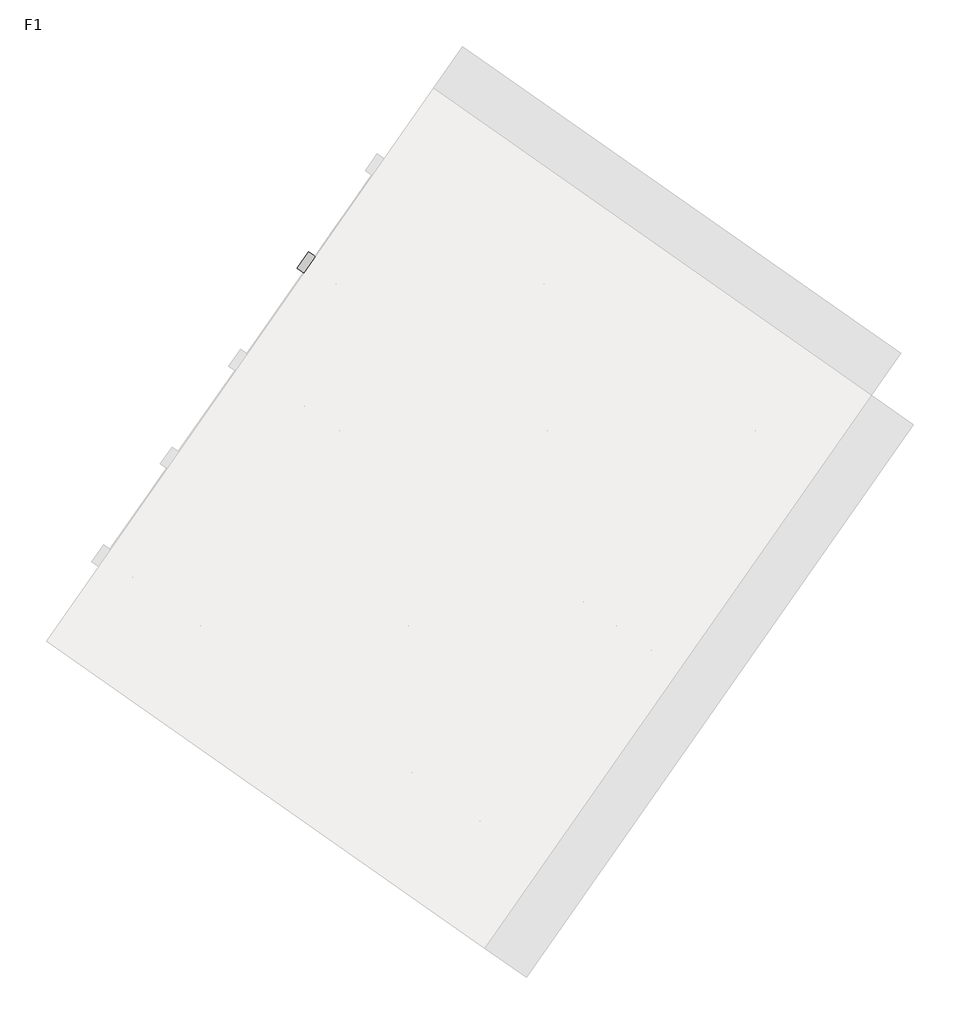
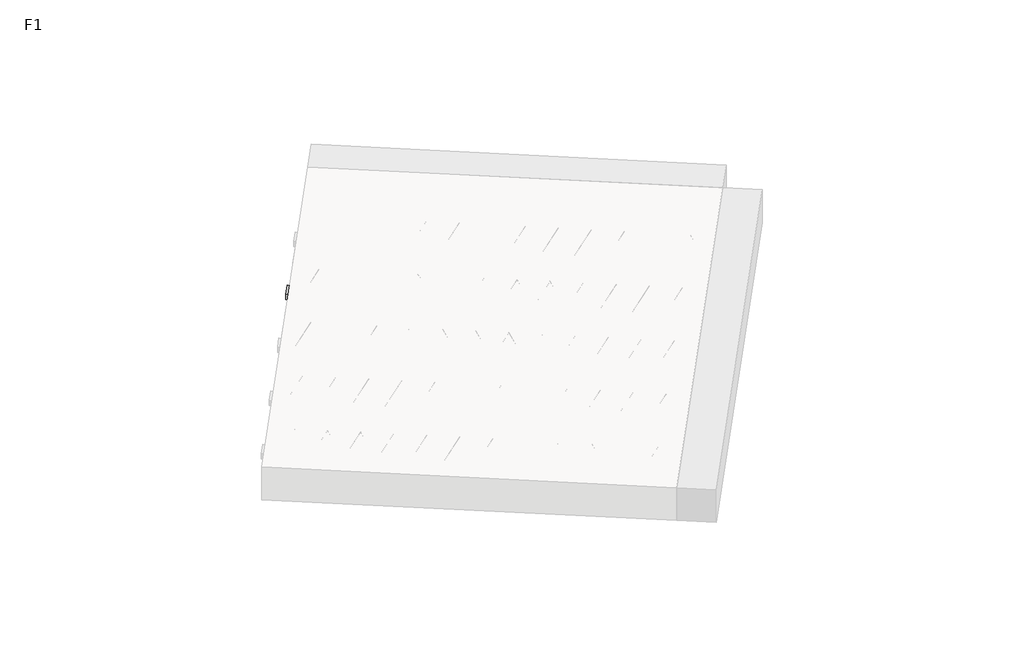
# One storey, part 24 of 30: 2 beams.
"""IFC4 building model written with IfcOpenShell, lengths in millimetres."""

import ifcopenshell
import ifcopenshell.guid

model = None  # the IFC model being written
_history = None  # IfcOwnerHistory: only IFC2X3 demands one
_inside = {}  # id of a spatial element -> (the spatial element, [elements in it])
_under = {}  # id of a project, library or spatial element -> (it, [spatial elements below it])
_declared = {}  # id of a project -> (the project, [libraries it declares])
_typed = {}  # id of a type object -> (the type object, [elements of that type])
_made_of = {}  # id of a material, layer set ... -> (it, [elements and type objects made of it])


def new_model(schema):
    """Start an empty IFC model of exactly this schema.

    Asked for "IFC4X3", IfcOpenShell would pick the latest addendum, in which some entities
    have other attributes; the version numbers below select the first issue.
    IFC2X3 requires an IfcOwnerHistory on every rooted entity: one is made here for all.
    """
    global model, _history
    if schema == "IFC4X3":
        model = ifcopenshell.file(schema_version=(4, 3, 0, 0))
    else:
        model = ifcopenshell.file(schema=schema)
    _inside.clear()
    _under.clear()
    _declared.clear()
    _typed.clear()
    _made_of.clear()
    _history = None
    if model.schema == "IFC2X3":
        org = make("IfcOrganization", Name="unknown")
        user = make(
            "IfcPersonAndOrganization",
            ThePerson=make("IfcPerson", FamilyName="unknown"),
            TheOrganization=org,
        )
        app = make(
            "IfcApplication",
            ApplicationDeveloper=org,
            Version="unknown",
            ApplicationFullName="unknown",
            ApplicationIdentifier="unknown",
        )
        _history = make(
            "IfcOwnerHistory",
            OwningUser=user,
            OwningApplication=app,
            ChangeAction="ADDED",
            CreationDate=0,
        )
    return model


def make(cls, **values):
    """One entity of the class cls with the attributes given. An attribute that is None is left unset."""
    return model.create_entity(
        cls, **{name: value for name, value in values.items() if value is not None}
    )


def rooted(cls, **values):
    """An entity with a GlobalId (a new one), such as an element, a storey or a relation."""
    return make(cls, GlobalId=ifcopenshell.guid.new(), OwnerHistory=_history, **values)


def si_unit(unit_type, name, prefix=None):
    """IfcSIUnit, for example si_unit("LENGTHUNIT", "METRE", prefix="MILLI")."""
    return make("IfcSIUnit", UnitType=unit_type, Prefix=prefix, Name=name)


def assignment(units):
    """IfcUnitAssignment: the units of a project."""
    return None if units is None else make("IfcUnitAssignment", Units=units)


def point(xyz):
    """IfcCartesianPoint."""
    return None if xyz is None else make("IfcCartesianPoint", Coordinates=xyz)


def direction(xyz):
    """IfcDirection."""
    return None if xyz is None else make("IfcDirection", DirectionRatios=xyz)


def frame(location, z_axis=None, x_axis=None):
    """IfcAxis2Placement3D, a coordinate frame: its origin and axes. An axis left out is left unset."""
    return make(
        "IfcAxis2Placement3D",
        Location=point(location),
        Axis=direction(z_axis),
        RefDirection=direction(x_axis),
    )


def frame_2d(location, x_axis=None):
    """IfcAxis2Placement2D, a coordinate frame in the plane: its origin and x axis."""
    return make(
        "IfcAxis2Placement2D", Location=point(location), RefDirection=direction(x_axis)
    )


def origin():
    """The frame at (0, 0, 0) with its axes left unset."""
    return frame((0.0, 0.0, 0.0))


def origin_2d():
    """The frame at (0, 0) in the plane with its x axis left unset."""
    return frame_2d((0.0, 0.0))


def place(relative_to, where):
    """IfcLocalPlacement: puts the frame where relative to a parent placement (None: the world)."""
    return make(
        "IfcLocalPlacement", PlacementRelTo=relative_to, RelativePlacement=where
    )


def context(
    kind, dimensions, precision=None, world=None, true_north=None, identifier=None
):
    """IfcGeometricRepresentationContext, for example the 3D "Model" context."""
    return make(
        "IfcGeometricRepresentationContext",
        ContextIdentifier=identifier,
        ContextType=kind,
        CoordinateSpaceDimension=dimensions,
        Precision=precision,
        WorldCoordinateSystem=world,
        TrueNorth=true_north,
    )


def project(units=None, contexts=None):
    """IfcProject with its units and contexts."""
    return rooted(
        "IfcProject",
        Name="project",
        RepresentationContexts=contexts,
        UnitsInContext=assignment(units),
    )


def spatial(cls, under=None, at=None, **own):
    """A site, building, storey or space (cls), placed at a placement, below another one or the project."""
    s = rooted(cls, ObjectPlacement=at, **own)
    if under is not None:
        _under.setdefault(under.id(), (under, []))[1].append(s)
    return s


def polyline(points):
    """IfcPolyline through the points."""
    return make("IfcPolyline", Points=[point(p) for p in points])


def circle_curve(where, radius):
    """IfcCircle in the frame where."""
    return make("IfcCircle", Position=where, Radius=radius)


def trimmed(basis, trim1, trim2, sense, master):
    """IfcTrimmedCurve: the piece of a basis curve between two trims."""
    return make(
        "IfcTrimmedCurve",
        BasisCurve=basis,
        Trim1=trim1,
        Trim2=trim2,
        SenseAgreement=sense,
        MasterRepresentation=master,
    )


def segment(curve, same_sense, transition):
    """IfcCompositeCurveSegment."""
    return make(
        "IfcCompositeCurveSegment",
        Transition=transition,
        SameSense=same_sense,
        ParentCurve=curve,
    )


def composite_curve(segments, self_intersect=None):
    """IfcCompositeCurve: segments joined end to end."""
    return make("IfcCompositeCurve", Segments=segments, SelfIntersect=self_intersect)


def outline(outer, holes=None, kind="AREA"):
    """IfcArbitraryClosedProfileDef: a profile drawn as a closed curve; with holes, ...WithVoids."""
    if holes is None:
        return make("IfcArbitraryClosedProfileDef", ProfileType=kind, OuterCurve=outer)
    return make(
        "IfcArbitraryProfileDefWithVoids",
        ProfileType=kind,
        OuterCurve=outer,
        InnerCurves=holes,
    )


def extrude(swept, where, along, depth):
    """IfcExtrudedAreaSolid: the profile swept, set in the frame where, extruded along a direction by depth."""
    return make(
        "IfcExtrudedAreaSolid",
        SweptArea=swept,
        Position=where,
        ExtrudedDirection=direction(along),
        Depth=depth,
    )


def shape(context_of_items, identifier, shape_type, items):
    """IfcShapeRepresentation: the items that make up one representation, for example the "Body"."""
    return make(
        "IfcShapeRepresentation",
        ContextOfItems=context_of_items,
        RepresentationIdentifier=identifier,
        RepresentationType=shape_type,
        Items=items,
    )


def made_of(thing, what):
    """Note that an element or type object is made of a material, layer set ...; save() writes the relation."""
    if what is not None:
        _made_of.setdefault(what.id(), (what, []))[1].append(thing)
    return thing


def element(
    cls,
    number,
    at=None,
    inside=None,
    cuts=None,
    type_object=None,
    material=None,
    context=None,
    identifier="Body",
    shape_type=None,
    held_by="IfcProductDefinitionShape",
    body=None,
    shapes=None,
    **own,
):
    """One element of the class cls, such as IfcWall. Its Tag is "e" and its number.

    at: its placement. inside: the storey or other place that contains it. cuts: it is an
    opening in that element (IfcRelVoidsElement). A single representation is given by context,
    identifier, shape_type and body (its items); several are given by shapes. held_by: the class
    of the entity that holds the representations. save() writes the other relations.
    """
    e = rooted(cls, Tag="e%d" % number, ObjectPlacement=at, **own)
    if body is not None:
        shapes = [shape(context, identifier, shape_type, body)]
    if shapes is not None:
        e.Representation = make(held_by, Representations=shapes)
    if inside is not None:
        _inside.setdefault(inside.id(), (inside, []))[1].append(e)
    if cuts is not None:
        rooted(
            "IfcRelVoidsElement", RelatingBuildingElement=cuts, RelatedOpeningElement=e
        )
    if type_object is not None:
        _typed.setdefault(type_object.id(), (type_object, []))[1].append(e)
    return made_of(e, material)


def aggregate(whole, parts):
    """IfcRelAggregates: a whole, such as a stair, and the parts it consists of."""
    return rooted("IfcRelAggregates", RelatingObject=whole, RelatedObjects=parts)


def save(model, path):
    """Write the relations noted so far, then the file.

    IfcRelAggregates (storeys below a building ...), IfcRelContainedInSpatialStructure (elements
    in a storey), IfcRelDefinesByType, IfcRelAssociatesMaterial and IfcRelDeclares: one each for
    every whole, place, type object, material and project.
    """
    for whole, parts in _under.values():
        aggregate(whole, parts)
    for where, things in _inside.values():
        rooted(
            "IfcRelContainedInSpatialStructure",
            RelatedElements=things,
            RelatingStructure=where,
        )
    for kind, things in _typed.values():
        rooted("IfcRelDefinesByType", RelatedObjects=things, RelatingType=kind)
    for what, things in _made_of.values():
        rooted("IfcRelAssociatesMaterial", RelatedObjects=things, RelatingMaterial=what)
    for by, libraries in _declared.values():
        rooted("IfcRelDeclares", RelatingContext=by, RelatedDefinitions=libraries)
    model.write(path)


model = new_model("IFC4")

# Units and contexts
model_context = context("Model", 3, world=origin())
ifc_project = project(units=[si_unit("LENGTHUNIT", "METRE", prefix="MILLI")], contexts=[model_context])

# Site, building, storey
site = spatial("IfcSite", under=ifc_project)
building = spatial("IfcBuilding", under=site)
storey = spatial("IfcBuildingStorey", under=building, Name="F1", Elevation=99520.0)

# Beams
placement = place(None, origin())
element("IfcBeam", 1, at=placement, inside=storey, context=model_context, shape_type="SweptSolid", body=[
    extrude(outline(polyline([(11246.564231, 5907.9605585), (11315.3934034, 6006.2588038), (13969.4460268, 4147.87115), (13900.6168545, 4049.5729046), (11246.564231, 5907.9605585)])), frame((0.0, 0.0, 99720.0), z_axis=(0.0, 0.0, 1.0), x_axis=(1.0, 0.0, 0.0)), (0.0, 0.0, 1.0), 50.0),
    extrude(outline(composite_curve([segment(trimmed(circle_curve(origin_2d(), 2.5), [point((-2.5, 0.0))], [point((2.5, 0.0))], False, "CARTESIAN"), True, "CONTINUOUS"), segment(trimmed(circle_curve(origin_2d(), 2.5), [point((2.5, 0.0))], [point((-2.5, 0.0))], False, "CARTESIAN"), True, "CONTINUOUS")], self_intersect=False)), frame((13894.7230399, 4082.9983882, 99745.0), z_axis=(-0.8191520442696126, 0.5735764363787226, 0.0), x_axis=(0.5735764363787226, 0.8191520442696126, 0.0)), (0.0, 0.0, 1.0), 3192.0),
    extrude(outline(composite_curve([segment(trimmed(circle_curve(origin_2d(), 2.5), [point((-2.5, 0.0))], [point((2.5, 0.0))], False, "CARTESIAN"), True, "CONTINUOUS"), segment(trimmed(circle_curve(origin_2d(), 2.5), [point((2.5, 0.0))], [point((-2.5, 0.0))], False, "CARTESIAN"), True, "CONTINUOUS")], self_intersect=False)), frame((13775.296792, 4210.5694324, 99970.0), z_axis=(-0.8191520442696126, 0.5735764363787226, 0.0), x_axis=(0.5735764363787226, 0.8191520442696126, 0.0)), (0.0, 0.0, 1.0), 2850.0),
    extrude(outline(composite_curve([segment(trimmed(circle_curve(origin_2d(), 2.5), [point((-2.5, 0.0))], [point((2.5, 0.0))], False, "CARTESIAN"), True, "CONTINUOUS"), segment(trimmed(circle_curve(origin_2d(), 2.5), [point((2.5, 0.0))], [point((-2.5, 0.0))], False, "CARTESIAN"), True, "CONTINUOUS")], self_intersect=False)), frame((13816.0844436, 4138.0617261, 99745.0), z_axis=(-0.3145304735701046, 0.38933448886848654, 0.8657304643902053), x_axis=(0.7778747638402499, 0.6284193279813057, 0.0)), (0.0, 0.0, 1.0), 259.8961331),
    extrude(outline(composite_curve([segment(trimmed(circle_curve(origin_2d(), 2.5), [point((2.5, -1e-07))], [point((-2.5, 0.0))], False, "CARTESIAN"), True, "CONTINUOUS"), segment(trimmed(circle_curve(origin_2d(), 2.5), [point((-2.5, 0.0))], [point((2.5, -1e-07))], False, "CARTESIAN"), True, "CONTINUOUS")], self_intersect=False)), frame((13611.2964326, 4281.4558352, 99745.0), z_axis=(0.47343050384693375, -0.16240172737369005, 0.8657304643902051), x_axis=(-0.3244721671091268, -0.9458952440791246, 0.0)), (0.0, 0.0, 1.0), 259.8961331),
    extrude(outline(composite_curve([segment(trimmed(circle_curve(origin_2d(), 2.5), [point((-2.5000001, 0.0))], [point((2.5, 0.0))], False, "CARTESIAN"), True, "CONTINUOUS"), segment(trimmed(circle_curve(origin_2d(), 2.5), [point((2.5, 0.0))], [point((-2.5000001, 0.0))], False, "CARTESIAN"), True, "CONTINUOUS")], self_intersect=False)), frame((13611.2964326, 4281.4558352, 99745.0), z_axis=(-0.3145304735701046, 0.38933448886848654, 0.8657304643902053), x_axis=(0.7778747638402499, 0.6284193279813057, 0.0)), (0.0, 0.0, 1.0), 259.8961331),
    extrude(outline(composite_curve([segment(trimmed(circle_curve(origin_2d(), 2.5), [point((2.5000001, 0.0))], [point((-2.5, 0.0))], False, "CARTESIAN"), True, "CONTINUOUS"), segment(trimmed(circle_curve(origin_2d(), 2.5), [point((-2.5, 0.0))], [point((2.5000001, 0.0))], False, "CARTESIAN"), True, "CONTINUOUS")], self_intersect=False)), frame((13406.5084215, 4424.8499443, 99745.0), z_axis=(0.47343050384693375, -0.16240172737369005, 0.8657304643902051), x_axis=(-0.3244721671091268, -0.9458952440791246, 0.0)), (0.0, 0.0, 1.0), 259.8961331),
    extrude(outline(composite_curve([segment(trimmed(circle_curve(origin_2d(), 2.5), [point((-2.5, -1e-07))], [point((2.5, 0.0))], False, "CARTESIAN"), True, "CONTINUOUS"), segment(trimmed(circle_curve(origin_2d(), 2.5), [point((2.5, 0.0))], [point((-2.5, -1e-07))], False, "CARTESIAN"), True, "CONTINUOUS")], self_intersect=False)), frame((13406.5084215, 4424.8499443, 99745.0), z_axis=(-0.3145304735701046, 0.38933448886848654, 0.8657304643902053), x_axis=(0.7778747638402499, 0.6284193279813057, 0.0)), (0.0, 0.0, 1.0), 259.8961331),
    extrude(outline(composite_curve([segment(trimmed(circle_curve(origin_2d(), 2.5), [point((2.5000001, 0.0))], [point((-2.5, 0.0))], False, "CARTESIAN"), True, "CONTINUOUS"), segment(trimmed(circle_curve(origin_2d(), 2.5), [point((-2.5, 0.0))], [point((2.5000001, 0.0))], False, "CARTESIAN"), True, "CONTINUOUS")], self_intersect=False)), frame((13201.7204104, 4568.2440534, 99745.0), z_axis=(0.47343050384693375, -0.16240172737369005, 0.8657304643902051), x_axis=(-0.3244721671091268, -0.9458952440791246, 0.0)), (0.0, 0.0, 1.0), 259.8961331),
    extrude(outline(composite_curve([segment(trimmed(circle_curve(origin_2d(), 2.5), [point((-2.5, -1e-07))], [point((2.5, 0.0))], False, "CARTESIAN"), True, "CONTINUOUS"), segment(trimmed(circle_curve(origin_2d(), 2.5), [point((2.5, 0.0))], [point((-2.5, -1e-07))], False, "CARTESIAN"), True, "CONTINUOUS")], self_intersect=False)), frame((13201.7204104, 4568.2440534, 99745.0), z_axis=(-0.3145304735701046, 0.38933448886848654, 0.8657304643902053), x_axis=(0.7778747638402499, 0.6284193279813057, 0.0)), (0.0, 0.0, 1.0), 259.8961331),
    extrude(outline(composite_curve([segment(trimmed(circle_curve(origin_2d(), 2.5), [point((2.5, -1e-07))], [point((-2.5000001, 0.0))], False, "CARTESIAN"), True, "CONTINUOUS"), segment(trimmed(circle_curve(origin_2d(), 2.5), [point((-2.5000001, 0.0))], [point((2.5, -1e-07))], False, "CARTESIAN"), True, "CONTINUOUS")], self_intersect=False)), frame((12996.9323994, 4711.6381624, 99745.0), z_axis=(0.47343050384693375, -0.16240172737369005, 0.8657304643902051), x_axis=(-0.3244721671091268, -0.9458952440791246, 0.0)), (0.0, 0.0, 1.0), 259.8961331),
    extrude(outline(composite_curve([segment(trimmed(circle_curve(origin_2d(), 2.5), [point((-2.5, 0.0))], [point((2.5000001, 0.0))], False, "CARTESIAN"), True, "CONTINUOUS"), segment(trimmed(circle_curve(origin_2d(), 2.5), [point((2.5000001, 0.0))], [point((-2.5, 0.0))], False, "CARTESIAN"), True, "CONTINUOUS")], self_intersect=False)), frame((12996.9323993, 4711.6381624, 99745.0), z_axis=(-0.3145304735701046, 0.38933448886848654, 0.8657304643902053), x_axis=(0.7778747638402499, 0.6284193279813057, 0.0)), (0.0, 0.0, 1.0), 259.8961331),
    extrude(outline(composite_curve([segment(trimmed(circle_curve(origin_2d(), 2.5), [point((2.5, 0.0))], [point((-2.5000001, 0.0))], False, "CARTESIAN"), True, "CONTINUOUS"), segment(trimmed(circle_curve(origin_2d(), 2.5), [point((-2.5000001, 0.0))], [point((2.5, 0.0))], False, "CARTESIAN"), True, "CONTINUOUS")], self_intersect=False)), frame((12792.1443883, 4855.0322715, 99745.0), z_axis=(0.47343050384693375, -0.16240172737369005, 0.8657304643902051), x_axis=(-0.3244721671091268, -0.9458952440791246, 0.0)), (0.0, 0.0, 1.0), 259.8961331),
    extrude(outline(composite_curve([segment(trimmed(circle_curve(origin_2d(), 2.5), [point((-2.5, 0.0))], [point((2.5, 1e-07))], False, "CARTESIAN"), True, "CONTINUOUS"), segment(trimmed(circle_curve(origin_2d(), 2.5), [point((2.5, 1e-07))], [point((-2.5, 0.0))], False, "CARTESIAN"), True, "CONTINUOUS")], self_intersect=False)), frame((12792.1443883, 4855.0322715, 99745.0), z_axis=(-0.3145304735701046, 0.38933448886848654, 0.8657304643902053), x_axis=(0.7778747638402499, 0.6284193279813057, 0.0)), (0.0, 0.0, 1.0), 259.8961331),
    extrude(outline(composite_curve([segment(trimmed(circle_curve(origin_2d(), 2.5), [point((2.5, 0.0))], [point((-2.5, 0.0))], False, "CARTESIAN"), True, "CONTINUOUS"), segment(trimmed(circle_curve(origin_2d(), 2.5), [point((-2.5, 0.0))], [point((2.5, 0.0))], False, "CARTESIAN"), True, "CONTINUOUS")], self_intersect=False)), frame((12587.3563772, 4998.4263806, 99745.0), z_axis=(0.47343050384693375, -0.16240172737369005, 0.8657304643902051), x_axis=(-0.3244721671091268, -0.9458952440791246, 0.0)), (0.0, 0.0, 1.0), 259.8961331),
    extrude(outline(composite_curve([segment(trimmed(circle_curve(origin_2d(), 2.5), [point((-2.5, 0.0))], [point((2.5, 1e-07))], False, "CARTESIAN"), True, "CONTINUOUS"), segment(trimmed(circle_curve(origin_2d(), 2.5), [point((2.5, 1e-07))], [point((-2.5, 0.0))], False, "CARTESIAN"), True, "CONTINUOUS")], self_intersect=False)), frame((12587.3563772, 4998.4263806, 99745.0), z_axis=(-0.3145304735701046, 0.38933448886848654, 0.8657304643902053), x_axis=(0.7778747638402499, 0.6284193279813057, 0.0)), (0.0, 0.0, 1.0), 259.8961331),
    extrude(outline(composite_curve([segment(trimmed(circle_curve(origin_2d(), 2.5), [point((2.5, 0.0))], [point((-2.5, 1e-07))], False, "CARTESIAN"), True, "CONTINUOUS"), segment(trimmed(circle_curve(origin_2d(), 2.5), [point((-2.5, 1e-07))], [point((2.5, 0.0))], False, "CARTESIAN"), True, "CONTINUOUS")], self_intersect=False)), frame((12382.5683661, 5141.8204897, 99745.0), z_axis=(0.47343050384693375, -0.16240172737369005, 0.8657304643902051), x_axis=(-0.3244721671091268, -0.9458952440791246, 0.0)), (0.0, 0.0, 1.0), 259.8961331),
    extrude(outline(composite_curve([segment(trimmed(circle_curve(origin_2d(), 2.5), [point((-2.5, 0.0))], [point((2.5000001, 0.0))], False, "CARTESIAN"), True, "CONTINUOUS"), segment(trimmed(circle_curve(origin_2d(), 2.5), [point((2.5000001, 0.0))], [point((-2.5, 0.0))], False, "CARTESIAN"), True, "CONTINUOUS")], self_intersect=False)), frame((12382.5683661, 5141.8204897, 99745.0), z_axis=(-0.3145304735701046, 0.38933448886848654, 0.8657304643902053), x_axis=(0.7778747638402499, 0.6284193279813057, 0.0)), (0.0, 0.0, 1.0), 259.8961331),
    extrude(outline(composite_curve([segment(trimmed(circle_curve(origin_2d(), 2.5), [point((2.5, 0.0))], [point((-2.5, 0.0))], False, "CARTESIAN"), True, "CONTINUOUS"), segment(trimmed(circle_curve(origin_2d(), 2.5), [point((-2.5, 0.0))], [point((2.5, 0.0))], False, "CARTESIAN"), True, "CONTINUOUS")], self_intersect=False)), frame((12177.7803551, 5285.2145988, 99745.0), z_axis=(0.47343050384693375, -0.16240172737369005, 0.8657304643902051), x_axis=(-0.3244721671091268, -0.9458952440791246, 0.0)), (0.0, 0.0, 1.0), 259.8961331),
    extrude(outline(composite_curve([segment(trimmed(circle_curve(origin_2d(), 2.5), [point((-2.5, 0.0))], [point((2.5, 0.0))], False, "CARTESIAN"), True, "CONTINUOUS"), segment(trimmed(circle_curve(origin_2d(), 2.5), [point((2.5, 0.0))], [point((-2.5, 0.0))], False, "CARTESIAN"), True, "CONTINUOUS")], self_intersect=False)), frame((12177.7803551, 5285.2145988, 99745.0), z_axis=(-0.3145304735701046, 0.38933448886848654, 0.8657304643902053), x_axis=(0.7778747638402499, 0.6284193279813057, 0.0)), (0.0, 0.0, 1.0), 259.8961331),
    extrude(outline(composite_curve([segment(trimmed(circle_curve(origin_2d(), 2.5), [point((2.5, 0.0))], [point((-2.5, 0.0))], False, "CARTESIAN"), True, "CONTINUOUS"), segment(trimmed(circle_curve(origin_2d(), 2.5), [point((-2.5, 0.0))], [point((2.5, 0.0))], False, "CARTESIAN"), True, "CONTINUOUS")], self_intersect=False)), frame((11972.992344, 5428.6087079, 99745.0), z_axis=(0.47343050384693375, -0.16240172737369005, 0.8657304643902051), x_axis=(-0.3244721671091268, -0.9458952440791246, 0.0)), (0.0, 0.0, 1.0), 259.8961331),
    extrude(outline(composite_curve([segment(trimmed(circle_curve(origin_2d(), 2.5), [point((-2.5, 0.0))], [point((2.5, 0.0))], False, "CARTESIAN"), True, "CONTINUOUS"), segment(trimmed(circle_curve(origin_2d(), 2.5), [point((2.5, 0.0))], [point((-2.5, 0.0))], False, "CARTESIAN"), True, "CONTINUOUS")], self_intersect=False)), frame((11972.992344, 5428.6087079, 99745.0), z_axis=(-0.3145304735701046, 0.38933448886848654, 0.8657304643902053), x_axis=(0.7778747638402499, 0.6284193279813057, 0.0)), (0.0, 0.0, 1.0), 259.8961331),
    extrude(outline(composite_curve([segment(trimmed(circle_curve(origin_2d(), 2.5), [point((2.5, 0.0))], [point((-2.5, 1e-07))], False, "CARTESIAN"), True, "CONTINUOUS"), segment(trimmed(circle_curve(origin_2d(), 2.5), [point((-2.5, 1e-07))], [point((2.5, 0.0))], False, "CARTESIAN"), True, "CONTINUOUS")], self_intersect=False)), frame((11768.2043329, 5572.002817, 99745.0), z_axis=(0.47343050384693375, -0.16240172737369005, 0.8657304643902051), x_axis=(-0.3244721671091268, -0.9458952440791246, 0.0)), (0.0, 0.0, 1.0), 259.8961331),
    extrude(outline(composite_curve([segment(trimmed(circle_curve(origin_2d(), 2.5), [point((-2.5, 0.0))], [point((2.5000001, -1e-07))], False, "CARTESIAN"), True, "CONTINUOUS"), segment(trimmed(circle_curve(origin_2d(), 2.5), [point((2.5000001, -1e-07))], [point((-2.5, 0.0))], False, "CARTESIAN"), True, "CONTINUOUS")], self_intersect=False)), frame((11768.2043329, 5572.002817, 99745.0), z_axis=(-0.3145304735701046, 0.38933448886848654, 0.8657304643902053), x_axis=(0.7778747638402499, 0.6284193279813057, 0.0)), (0.0, 0.0, 1.0), 259.8961331),
    extrude(outline(composite_curve([segment(trimmed(circle_curve(origin_2d(), 2.5), [point((2.5, 0.0))], [point((-2.5, 0.0))], False, "CARTESIAN"), True, "CONTINUOUS"), segment(trimmed(circle_curve(origin_2d(), 2.5), [point((-2.5, 0.0))], [point((2.5, 0.0))], False, "CARTESIAN"), True, "CONTINUOUS")], self_intersect=False)), frame((11563.4163219, 5715.3969261, 99745.0), z_axis=(0.47343050384693375, -0.16240172737369005, 0.8657304643902051), x_axis=(-0.3244721671091268, -0.9458952440791246, 0.0)), (0.0, 0.0, 1.0), 259.8961331),
    extrude(outline(composite_curve([segment(trimmed(circle_curve(origin_2d(), 2.5), [point((-2.5, 0.0))], [point((2.5, 0.0))], False, "CARTESIAN"), True, "CONTINUOUS"), segment(trimmed(circle_curve(origin_2d(), 2.5), [point((2.5, 0.0))], [point((-2.5, 0.0))], False, "CARTESIAN"), True, "CONTINUOUS")], self_intersect=False)), frame((11563.4163219, 5715.3969261, 99745.0), z_axis=(-0.3145304735701046, 0.38933448886848654, 0.8657304643902053), x_axis=(0.7778747638402499, 0.6284193279813057, 0.0)), (0.0, 0.0, 1.0), 259.8961331),
    extrude(outline(composite_curve([segment(trimmed(circle_curve(origin_2d(), 2.5), [point((2.5, 0.0))], [point((-2.5, 0.0))], False, "CARTESIAN"), True, "CONTINUOUS"), segment(trimmed(circle_curve(origin_2d(), 2.5), [point((-2.5, 0.0))], [point((2.5, 0.0))], False, "CARTESIAN"), True, "CONTINUOUS")], self_intersect=False)), frame((11358.6283108, 5858.7910352, 99745.0), z_axis=(0.47343050384693375, -0.16240172737369005, 0.8657304643902051), x_axis=(-0.3244721671091268, -0.9458952440791246, 0.0)), (0.0, 0.0, 1.0), 259.8961331),
    extrude(outline(composite_curve([segment(trimmed(circle_curve(origin_2d(), 2.5), [point((-2.5, 0.0))], [point((2.5, 0.0))], False, "CARTESIAN"), True, "CONTINUOUS"), segment(trimmed(circle_curve(origin_2d(), 2.5), [point((2.5, 0.0))], [point((-2.5, 0.0))], False, "CARTESIAN"), True, "CONTINUOUS")], self_intersect=False)), frame((13936.0205433, 4141.9773354, 99745.0), z_axis=(-0.8191520442696126, 0.5735764363787226, 0.0), x_axis=(0.5735764363787226, 0.8191520442696126, 0.0)), (0.0, 0.0, 1.0), 3192.0),
    extrude(outline(composite_curve([segment(trimmed(circle_curve(origin_2d(), 2.5), [point((-2.5000001, 0.0))], [point((2.5, -1e-07))], False, "CARTESIAN"), True, "CONTINUOUS"), segment(trimmed(circle_curve(origin_2d(), 2.5), [point((2.5, -1e-07))], [point((-2.5000001, 0.0))], False, "CARTESIAN"), True, "CONTINUOUS")], self_intersect=False)), frame((13857.381947, 4197.0406733, 99745.0), z_axis=(-0.47343050384693375, 0.16240172737369005, 0.8657304643902051), x_axis=(0.3244721671091268, 0.9458952440791246, 0.0)), (0.0, 0.0, 1.0), 259.8961331),
    extrude(outline(composite_curve([segment(trimmed(circle_curve(origin_2d(), 2.5), [point((2.5, 1e-07))], [point((-2.5, 0.0))], False, "CARTESIAN"), True, "CONTINUOUS"), segment(trimmed(circle_curve(origin_2d(), 2.5), [point((-2.5, 0.0))], [point((2.5, 1e-07))], False, "CARTESIAN"), True, "CONTINUOUS")], self_intersect=False)), frame((13652.593936, 4340.4347824, 99745.0), z_axis=(0.3145304735701046, -0.38933448886848654, 0.8657304643902053), x_axis=(-0.7778747638402499, -0.6284193279813057, 0.0)), (0.0, 0.0, 1.0), 259.8961331),
    extrude(outline(composite_curve([segment(trimmed(circle_curve(origin_2d(), 2.5), [point((-2.5000001, 0.0))], [point((2.5, 0.0))], False, "CARTESIAN"), True, "CONTINUOUS"), segment(trimmed(circle_curve(origin_2d(), 2.5), [point((2.5, 0.0))], [point((-2.5000001, 0.0))], False, "CARTESIAN"), True, "CONTINUOUS")], self_intersect=False)), frame((13652.593936, 4340.4347824, 99745.0), z_axis=(-0.47343050384693375, 0.16240172737369005, 0.8657304643902051), x_axis=(0.3244721671091268, 0.9458952440791246, 0.0)), (0.0, 0.0, 1.0), 259.8961331),
    extrude(outline(composite_curve([segment(trimmed(circle_curve(origin_2d(), 2.5), [point((2.5, 0.0))], [point((-2.5, -1e-07))], False, "CARTESIAN"), True, "CONTINUOUS"), segment(trimmed(circle_curve(origin_2d(), 2.5), [point((-2.5, -1e-07))], [point((2.5, 0.0))], False, "CARTESIAN"), True, "CONTINUOUS")], self_intersect=False)), frame((13447.8059249, 4483.8288914, 99745.0), z_axis=(0.3145304735701046, -0.38933448886848654, 0.8657304643902053), x_axis=(-0.7778747638402499, -0.6284193279813057, 0.0)), (0.0, 0.0, 1.0), 259.8961331),
    extrude(outline(composite_curve([segment(trimmed(circle_curve(origin_2d(), 2.5), [point((-2.5, 0.0))], [point((2.5000001, 0.0))], False, "CARTESIAN"), True, "CONTINUOUS"), segment(trimmed(circle_curve(origin_2d(), 2.5), [point((2.5000001, 0.0))], [point((-2.5, 0.0))], False, "CARTESIAN"), True, "CONTINUOUS")], self_intersect=False)), frame((13447.8059249, 4483.8288914, 99745.0), z_axis=(-0.47343050384693375, 0.16240172737369005, 0.8657304643902051), x_axis=(0.3244721671091268, 0.9458952440791246, 0.0)), (0.0, 0.0, 1.0), 259.8961331),
    extrude(outline(composite_curve([segment(trimmed(circle_curve(origin_2d(), 2.5), [point((2.5, 0.0))], [point((-2.5, -1e-07))], False, "CARTESIAN"), True, "CONTINUOUS"), segment(trimmed(circle_curve(origin_2d(), 2.5), [point((-2.5, -1e-07))], [point((2.5, 0.0))], False, "CARTESIAN"), True, "CONTINUOUS")], self_intersect=False)), frame((13243.0179138, 4627.2230005, 99745.0), z_axis=(0.3145304735701046, -0.38933448886848654, 0.8657304643902053), x_axis=(-0.7778747638402499, -0.6284193279813057, 0.0)), (0.0, 0.0, 1.0), 259.8961331),
    extrude(outline(composite_curve([segment(trimmed(circle_curve(origin_2d(), 2.5), [point((-2.5, 0.0))], [point((2.5000001, 0.0))], False, "CARTESIAN"), True, "CONTINUOUS"), segment(trimmed(circle_curve(origin_2d(), 2.5), [point((2.5000001, 0.0))], [point((-2.5, 0.0))], False, "CARTESIAN"), True, "CONTINUOUS")], self_intersect=False)), frame((13243.0179138, 4627.2230005, 99745.0), z_axis=(-0.47343050384693375, 0.16240172737369005, 0.8657304643902051), x_axis=(0.3244721671091268, 0.9458952440791246, 0.0)), (0.0, 0.0, 1.0), 259.8961331),
    extrude(outline(composite_curve([segment(trimmed(circle_curve(origin_2d(), 2.5), [point((2.5, 0.0))], [point((-2.5, -1e-07))], False, "CARTESIAN"), True, "CONTINUOUS"), segment(trimmed(circle_curve(origin_2d(), 2.5), [point((-2.5, -1e-07))], [point((2.5, 0.0))], False, "CARTESIAN"), True, "CONTINUOUS")], self_intersect=False)), frame((13038.2299028, 4770.6171096, 99745.0), z_axis=(0.3145304735701046, -0.38933448886848654, 0.8657304643902053), x_axis=(-0.7778747638402499, -0.6284193279813057, 0.0)), (0.0, 0.0, 1.0), 259.8961331),
    extrude(outline(composite_curve([segment(trimmed(circle_curve(origin_2d(), 2.5), [point((-2.5, 1e-07))], [point((2.5, 0.0))], False, "CARTESIAN"), True, "CONTINUOUS"), segment(trimmed(circle_curve(origin_2d(), 2.5), [point((2.5, 0.0))], [point((-2.5, 1e-07))], False, "CARTESIAN"), True, "CONTINUOUS")], self_intersect=False)), frame((13038.2299028, 4770.6171096, 99745.0), z_axis=(-0.47343050384693375, 0.16240172737369005, 0.8657304643902051), x_axis=(0.3244721671091268, 0.9458952440791246, 0.0)), (0.0, 0.0, 1.0), 259.8961331),
    extrude(outline(composite_curve([segment(trimmed(circle_curve(origin_2d(), 2.5), [point((2.5, 0.0))], [point((-2.5, -1e-07))], False, "CARTESIAN"), True, "CONTINUOUS"), segment(trimmed(circle_curve(origin_2d(), 2.5), [point((-2.5, -1e-07))], [point((2.5, 0.0))], False, "CARTESIAN"), True, "CONTINUOUS")], self_intersect=False)), frame((12833.4418917, 4914.0112187, 99745.0), z_axis=(0.3145304735701046, -0.38933448886848654, 0.8657304643902053), x_axis=(-0.7778747638402499, -0.6284193279813057, 0.0)), (0.0, 0.0, 1.0), 259.8961331),
    extrude(outline(composite_curve([segment(trimmed(circle_curve(origin_2d(), 2.5), [point((-2.5, 0.0))], [point((2.5, 0.0))], False, "CARTESIAN"), True, "CONTINUOUS"), segment(trimmed(circle_curve(origin_2d(), 2.5), [point((2.5, 0.0))], [point((-2.5, 0.0))], False, "CARTESIAN"), True, "CONTINUOUS")], self_intersect=False)), frame((12833.4418917, 4914.0112187, 99745.0), z_axis=(-0.47343050384693375, 0.16240172737369005, 0.8657304643902051), x_axis=(0.3244721671091268, 0.9458952440791246, 0.0)), (0.0, 0.0, 1.0), 259.8961331),
    extrude(outline(composite_curve([segment(trimmed(circle_curve(origin_2d(), 2.5), [point((2.5, 0.0))], [point((-2.5, 0.0))], False, "CARTESIAN"), True, "CONTINUOUS"), segment(trimmed(circle_curve(origin_2d(), 2.5), [point((-2.5, 0.0))], [point((2.5, 0.0))], False, "CARTESIAN"), True, "CONTINUOUS")], self_intersect=False)), frame((12628.6538806, 5057.4053278, 99745.0), z_axis=(0.3145304735701046, -0.38933448886848654, 0.8657304643902053), x_axis=(-0.7778747638402499, -0.6284193279813057, 0.0)), (0.0, 0.0, 1.0), 259.8961331),
    extrude(outline(composite_curve([segment(trimmed(circle_curve(origin_2d(), 2.5), [point((-2.5, 0.0))], [point((2.5, -1e-07))], False, "CARTESIAN"), True, "CONTINUOUS"), segment(trimmed(circle_curve(origin_2d(), 2.5), [point((2.5, -1e-07))], [point((-2.5, 0.0))], False, "CARTESIAN"), True, "CONTINUOUS")], self_intersect=False)), frame((12628.6538806, 5057.4053278, 99745.0), z_axis=(-0.47343050384693375, 0.16240172737369005, 0.8657304643902051), x_axis=(0.3244721671091268, 0.9458952440791246, 0.0)), (0.0, 0.0, 1.0), 259.8961331),
    extrude(outline(composite_curve([segment(trimmed(circle_curve(origin_2d(), 2.5), [point((2.5, 0.0))], [point((-2.5, 0.0))], False, "CARTESIAN"), True, "CONTINUOUS"), segment(trimmed(circle_curve(origin_2d(), 2.5), [point((-2.5, 0.0))], [point((2.5, 0.0))], False, "CARTESIAN"), True, "CONTINUOUS")], self_intersect=False)), frame((12423.8658696, 5200.7994369, 99745.0), z_axis=(0.3145304735701046, -0.38933448886848654, 0.8657304643902053), x_axis=(-0.7778747638402499, -0.6284193279813057, 0.0)), (0.0, 0.0, 1.0), 259.8961331),
    extrude(outline(composite_curve([segment(trimmed(circle_curve(origin_2d(), 2.5), [point((-2.5, 1e-07))], [point((2.5, 0.0))], False, "CARTESIAN"), True, "CONTINUOUS"), segment(trimmed(circle_curve(origin_2d(), 2.5), [point((2.5, 0.0))], [point((-2.5, 1e-07))], False, "CARTESIAN"), True, "CONTINUOUS")], self_intersect=False)), frame((12423.8658696, 5200.7994369, 99745.0), z_axis=(-0.47343050384693375, 0.16240172737369005, 0.8657304643902051), x_axis=(0.3244721671091268, 0.9458952440791246, 0.0)), (0.0, 0.0, 1.0), 259.8961331),
    extrude(outline(composite_curve([segment(trimmed(circle_curve(origin_2d(), 2.5), [point((2.5, 0.0))], [point((-2.5, 0.0))], False, "CARTESIAN"), True, "CONTINUOUS"), segment(trimmed(circle_curve(origin_2d(), 2.5), [point((-2.5, 0.0))], [point((2.5, 0.0))], False, "CARTESIAN"), True, "CONTINUOUS")], self_intersect=False)), frame((12219.0778585, 5344.193546, 99745.0), z_axis=(0.3145304735701046, -0.38933448886848654, 0.8657304643902053), x_axis=(-0.7778747638402499, -0.6284193279813057, 0.0)), (0.0, 0.0, 1.0), 259.8961331),
    extrude(outline(composite_curve([segment(trimmed(circle_curve(origin_2d(), 2.5), [point((-2.5, 0.0))], [point((2.5, 0.0))], False, "CARTESIAN"), True, "CONTINUOUS"), segment(trimmed(circle_curve(origin_2d(), 2.5), [point((2.5, 0.0))], [point((-2.5, 0.0))], False, "CARTESIAN"), True, "CONTINUOUS")], self_intersect=False)), frame((12219.0778585, 5344.193546, 99745.0), z_axis=(-0.47343050384693375, 0.16240172737369005, 0.8657304643902051), x_axis=(0.3244721671091268, 0.9458952440791246, 0.0)), (0.0, 0.0, 1.0), 259.8961331),
    extrude(outline(composite_curve([segment(trimmed(circle_curve(origin_2d(), 2.5), [point((2.5, 0.0))], [point((-2.5, 0.0))], False, "CARTESIAN"), True, "CONTINUOUS"), segment(trimmed(circle_curve(origin_2d(), 2.5), [point((-2.5, 0.0))], [point((2.5, 0.0))], False, "CARTESIAN"), True, "CONTINUOUS")], self_intersect=False)), frame((12014.2898474, 5487.5876551, 99745.0), z_axis=(0.3145304735701046, -0.38933448886848654, 0.8657304643902053), x_axis=(-0.7778747638402499, -0.6284193279813057, 0.0)), (0.0, 0.0, 1.0), 259.8961331),
    extrude(outline(composite_curve([segment(trimmed(circle_curve(origin_2d(), 2.5), [point((-2.5, 0.0))], [point((2.5, 0.0))], False, "CARTESIAN"), True, "CONTINUOUS"), segment(trimmed(circle_curve(origin_2d(), 2.5), [point((2.5, 0.0))], [point((-2.5, 0.0))], False, "CARTESIAN"), True, "CONTINUOUS")], self_intersect=False)), frame((12014.2898474, 5487.5876551, 99745.0), z_axis=(-0.47343050384693375, 0.16240172737369005, 0.8657304643902051), x_axis=(0.3244721671091268, 0.9458952440791246, 0.0)), (0.0, 0.0, 1.0), 259.8961331),
    extrude(outline(composite_curve([segment(trimmed(circle_curve(origin_2d(), 2.5), [point((2.5, 0.0))], [point((-2.5, 0.0))], False, "CARTESIAN"), True, "CONTINUOUS"), segment(trimmed(circle_curve(origin_2d(), 2.5), [point((-2.5, 0.0))], [point((2.5, 0.0))], False, "CARTESIAN"), True, "CONTINUOUS")], self_intersect=False)), frame((11809.5018364, 5630.9817642, 99745.0), z_axis=(0.3145304735701046, -0.38933448886848654, 0.8657304643902053), x_axis=(-0.7778747638402499, -0.6284193279813057, 0.0)), (0.0, 0.0, 1.0), 259.8961331),
    extrude(outline(composite_curve([segment(trimmed(circle_curve(origin_2d(), 2.5), [point((-2.5, 1e-07))], [point((2.5, 0.0))], False, "CARTESIAN"), True, "CONTINUOUS"), segment(trimmed(circle_curve(origin_2d(), 2.5), [point((2.5, 0.0))], [point((-2.5, 1e-07))], False, "CARTESIAN"), True, "CONTINUOUS")], self_intersect=False)), frame((11809.5018364, 5630.9817642, 99745.0), z_axis=(-0.47343050384693375, 0.16240172737369005, 0.8657304643902051), x_axis=(0.3244721671091268, 0.9458952440791246, 0.0)), (0.0, 0.0, 1.0), 259.8961331),
    extrude(outline(composite_curve([segment(trimmed(circle_curve(origin_2d(), 2.5), [point((2.5, 0.0))], [point((-2.5, 0.0))], False, "CARTESIAN"), True, "CONTINUOUS"), segment(trimmed(circle_curve(origin_2d(), 2.5), [point((-2.5, 0.0))], [point((2.5, 0.0))], False, "CARTESIAN"), True, "CONTINUOUS")], self_intersect=False)), frame((11604.7138253, 5774.3758733, 99745.0), z_axis=(0.3145304735701046, -0.38933448886848654, 0.8657304643902053), x_axis=(-0.7778747638402499, -0.6284193279813057, 0.0)), (0.0, 0.0, 1.0), 259.8961331),
    extrude(outline(composite_curve([segment(trimmed(circle_curve(origin_2d(), 2.5), [point((-2.5, 0.0))], [point((2.5, 0.0))], False, "CARTESIAN"), True, "CONTINUOUS"), segment(trimmed(circle_curve(origin_2d(), 2.5), [point((2.5, 0.0))], [point((-2.5, 0.0))], False, "CARTESIAN"), True, "CONTINUOUS")], self_intersect=False)), frame((11604.7138253, 5774.3758733, 99745.0), z_axis=(-0.47343050384693375, 0.16240172737369005, 0.8657304643902051), x_axis=(0.3244721671091268, 0.9458952440791246, 0.0)), (0.0, 0.0, 1.0), 259.8961331),
    extrude(outline(composite_curve([segment(trimmed(circle_curve(origin_2d(), 2.5), [point((2.5, 0.0))], [point((-2.5, 0.0))], False, "CARTESIAN"), True, "CONTINUOUS"), segment(trimmed(circle_curve(origin_2d(), 2.5), [point((-2.5, 0.0))], [point((2.5, 0.0))], False, "CARTESIAN"), True, "CONTINUOUS")], self_intersect=False)), frame((11399.9258142, 5917.7699824, 99745.0), z_axis=(0.3145304735701046, -0.38933448886848654, 0.8657304643902053), x_axis=(-0.7778747638402499, -0.6284193279813057, 0.0)), (0.0, 0.0, 1.0), 259.8961331),
])
element("IfcBeam", 2, at=placement, inside=storey, context=model_context, shape_type="SweptSolid", body=[
    extrude(outline(polyline([(11648.0677365, 6481.3669895), (11716.8969089, 6579.6652348), (14370.9495323, 4721.2775809), (14302.1203599, 4622.9793356), (11648.0677365, 6481.3669895)])), frame((0.0, 0.0, 99720.0), z_axis=(0.0, 0.0, 1.0), x_axis=(1.0, 0.0, 0.0)), (0.0, 0.0, 1.0), 50.0),
])

save(model, "model.ifc")
